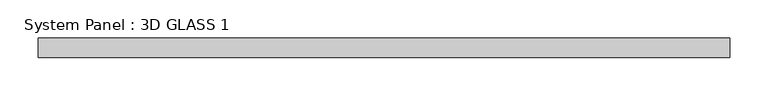
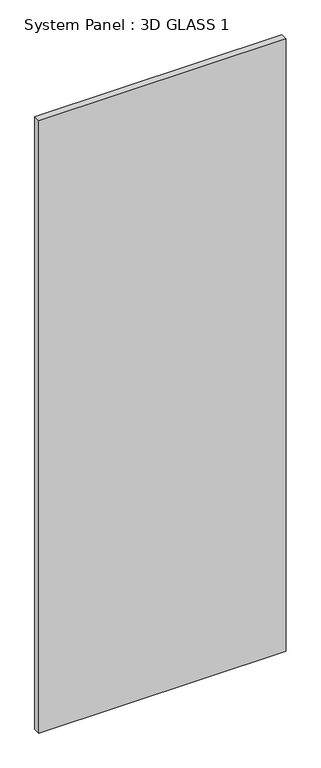
"""IFC4 building model written with IfcOpenShell, lengths in millimetres: plate geometry, System Panel : 3D GLASS 1."""

from ifc_helpers import new_model, si_unit, origin, origin_with_axes, place, context, project, spatial, polyline, outline, extrude, source, transform, mapped, element, save


def system_panel_3d_glass_1_244ced84(model_context):
    return source(origin(), model_context, "Body", "SweptSolid", [
        extrude(outline(polyline([(452.4375, -12.7), (-452.4375, -12.7), (-452.4375, 12.7), (452.4375, 12.7), (452.4375, -12.7)])), origin_with_axes(), (0.0, 0.0, 1.0), 2369.3907666),
    ])


if __name__ == "__main__":
    model = new_model("IFC4")
    model_context = context("Model", 3, world=origin())
    ifc_project = project(units=[si_unit("LENGTHUNIT", "METRE", prefix="MILLI")], contexts=[model_context])
    site = spatial("IfcSite", under=ifc_project)
    building = spatial("IfcBuilding", under=site)
    placement = place(None, origin())
    system_panel_3d_glass_1_shape = system_panel_3d_glass_1_244ced84(model_context)
    element("IfcPlate", 1, ObjectType="System Panel : 3D GLASS 1", at=placement, inside=building, context=model_context, shape_type="MappedRepresentation", body=[
        mapped(system_panel_3d_glass_1_shape, transform((0.0, 0.0, 0.0), x_axis=(1.0, 0.0, 0.0), y_axis=(0.0, 1.0, 0.0), z_axis=(0.0, 0.0, 1.0))),
    ])
    save(model, "model.ifc")
